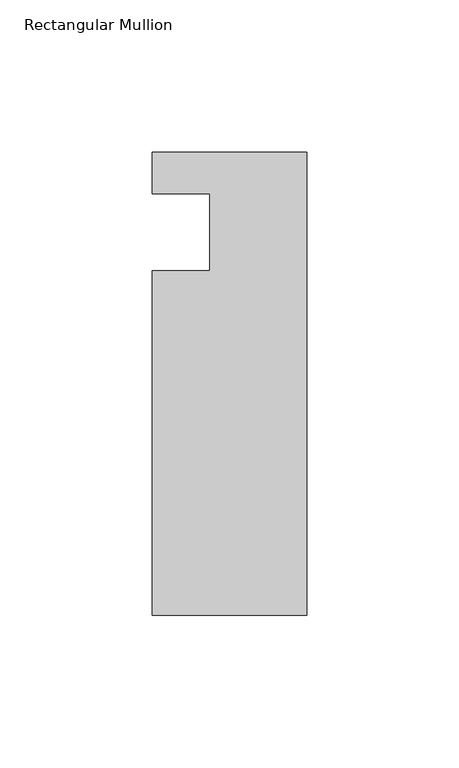
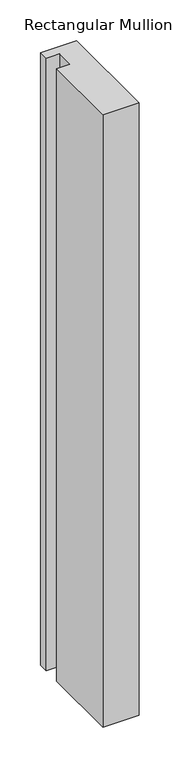
"""IFC4 building model written with IfcOpenShell, lengths in millimetres: member geometry, Rectangular Mullion."""

from ifc_helpers import new_model, si_unit, frame, origin, place, context, project, spatial, polyline, outline, extrude, source, transform, mapped, element, save


def rectangular_mullion_b64f4652(model_context):
    return source(origin(), model_context, "Body", "SweptSolid", [
        extrude(outline(polyline([(-50.8, 13.6728928), (0.0, 13.6728928), (0.0, -138.7271072), (-50.8, -138.7271072), (-50.8, -25.4), (-31.75, -25.4), (-31.75, 0.0), (-50.8, 0.0), (-50.8, 13.6728928)])), frame((0.0, 0.0, -914.4), z_axis=(0.0, 0.0, 1.0), x_axis=(1.0, 0.0, 0.0)), (0.0, 0.0, 1.0), 914.4),
    ])


if __name__ == "__main__":
    model = new_model("IFC4")
    model_context = context("Model", 3, world=origin())
    ifc_project = project(units=[si_unit("LENGTHUNIT", "METRE", prefix="MILLI")], contexts=[model_context])
    site = spatial("IfcSite", under=ifc_project)
    building = spatial("IfcBuilding", under=site)
    placement = place(None, origin())
    rectangular_mullion_shape = rectangular_mullion_b64f4652(model_context)
    element("IfcMember", 1, ObjectType="Rectangular Mullion", at=placement, inside=building, context=model_context, shape_type="MappedRepresentation", body=[
        mapped(rectangular_mullion_shape, transform((0.0, 0.0, 0.0), x_axis=(1.0, 0.0, 0.0), y_axis=(0.0, 1.0, 0.0), z_axis=(0.0, 0.0, 1.0))),
    ])
    save(model, "model.ifc")
